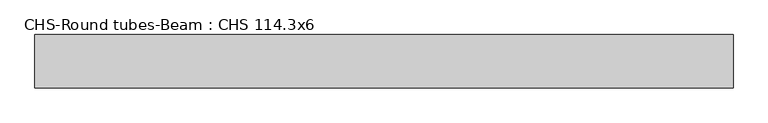
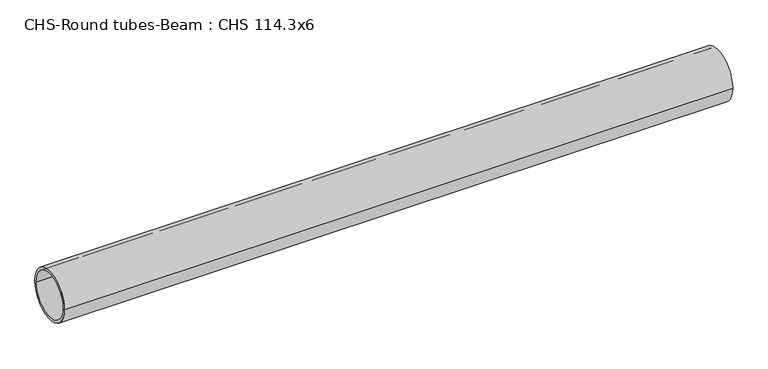
"""IFC4 building model written with IfcOpenShell, lengths in millimetres: beam geometry, CHS-Round tubes-Beam : CHS 114.3x6."""

from ifc_helpers import new_model, si_unit, point, frame, origin, origin_2d, place, context, project, spatial, circle_curve, trimmed, segment, composite_curve, outline, extrude, source, transform, mapped, element, save


def chs_round_tubes_beam_chs_114_3x6_2014bcad(model_context):
    return source(origin(), model_context, "Body", "SweptSolid", [
        extrude(outline(composite_curve([segment(trimmed(circle_curve(origin_2d(), 57.15), [point((57.15, 0.0))], [point((-57.15, 0.0))], False, "CARTESIAN"), True, "CONTINUOUS"), segment(trimmed(circle_curve(origin_2d(), 57.15), [point((-57.15, 0.0))], [point((57.15, 0.0))], False, "CARTESIAN"), True, "CONTINUOUS")], self_intersect=False), holes=[composite_curve([segment(trimmed(circle_curve(origin_2d(), 51.15), [point((51.15, 0.0))], [point((-51.15, 0.0))], True, "CARTESIAN"), True, "CONTINUOUS"), segment(trimmed(circle_curve(origin_2d(), 51.15), [point((-51.15, 0.0))], [point((51.15, 0.0))], True, "CARTESIAN"), True, "CONTINUOUS")], self_intersect=False)]), frame((-763.0760477, 0.0, 0.0), z_axis=(1.0, 0.0, 0.0), x_axis=(0.0, 1.0, 0.0)), (0.0, 0.0, 1.0), 1497.7119494),
    ])


if __name__ == "__main__":
    model = new_model("IFC4")
    model_context = context("Model", 3, world=origin())
    ifc_project = project(units=[si_unit("LENGTHUNIT", "METRE", prefix="MILLI")], contexts=[model_context])
    site = spatial("IfcSite", under=ifc_project)
    building = spatial("IfcBuilding", under=site)
    placement = place(None, origin())
    chs_round_tubes_beam_chs_114_3x6_shape = chs_round_tubes_beam_chs_114_3x6_2014bcad(model_context)
    element("IfcBeam", 1, ObjectType="CHS-Round tubes-Beam : CHS 114.3x6", at=placement, inside=building, context=model_context, shape_type="MappedRepresentation", body=[
        mapped(chs_round_tubes_beam_chs_114_3x6_shape, transform((0.0, 0.0, 0.0), x_axis=(1.0, 0.0, 0.0), y_axis=(0.0, 1.0, 0.0), z_axis=(0.0, 0.0, 1.0))),
    ])
    save(model, "model.ifc")
